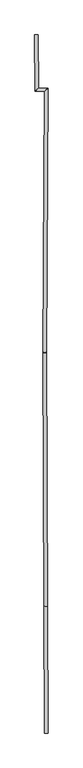
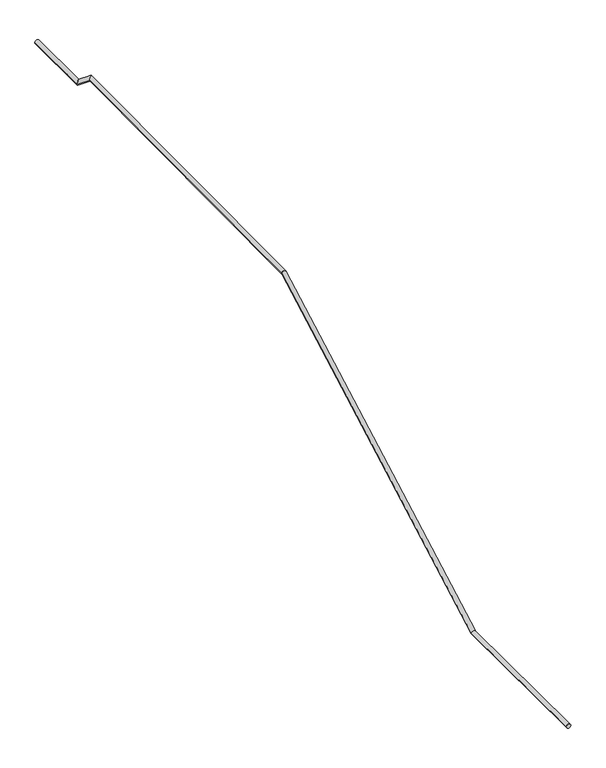
"""IFC4 building model written with IfcOpenShell, lengths in millimetres: railing geometry."""

from ifc_helpers import new_model, si_unit, frame, origin, place, context, project, spatial, circle_curve, ellipse_curve, source, transform, mapped, element, save
from ifc_brep_helpers import plane_surface, cylinder_surface, advanced_brep


def railing_7bb274fe(model_context):
    return source(origin(), model_context, "Body", "AdvancedBrep", [
        advanced_brep(
        [(-56331.4665767, -23508.6003463, -6120.0), (-56371.4662751, -23508.7556812, -6120.0), (-56337.2891122, -22009.260766, -6120.0), (-56377.2888106, -22009.4161008, -6120.0), (-56348.926175, -19012.6437851, -4440.1161724), (-56388.9265546, -19012.6237214, -4440.0178451)],
        [
            (0, 1, circle_curve(frame((-56351.4664259, -23508.6780137, -6120.0), z_axis=(0.0038833708517768614, -0.9999924596869857, 0.0), x_axis=(-0.9999924596869857, -0.0038833708517768614, 0.0)), 20.0)),
            (1, 0, circle_curve(frame((-56351.4664259, -23508.6780137, -6120.0), z_axis=(0.0038833708517768614, -0.9999924596869857, 0.0), x_axis=(-0.9999924596869857, -0.0038833708517768614, 0.0)), 20.0)),
            (0, 2),
            (2, 3, ellipse_curve(frame((-56357.2889614, -22009.3384334, -6120.0), z_axis=(0.0037573362176661538, -0.9675377473814336, -0.25269861459178733), x_axis=(0.0009813224341898756, -0.25269670916513415, 0.9675450429739132)), 20.6708723, 20.0)),
            (3, 1),
            (3, 2, ellipse_curve(frame((-56357.2889614, -22009.3384334, -6120.0), z_axis=(0.0037573362176661538, -0.9675377473814336, -0.25269861459178733), x_axis=(0.0009813224341898756, -0.25269670916513415, 0.9675450429739132)), 20.6708723, 20.0)),
            (4, 5, ellipse_curve(frame((-56368.9263648, -19012.6337532, -4440.0670087), z_axis=(0.0011064879753307608, 0.9675437293130676, 0.25270122190310423), x_axis=(0.01763881838023625, 0.25264317855393126, -0.9673987266976919)), 20.6710856, 20.0)),
            (5, 4, ellipse_curve(frame((-56368.9263648, -19012.6337532, -4440.0670087), z_axis=(0.0011064879753307608, 0.9675437293130676, 0.25270122190310423), x_axis=(0.01763881838023625, 0.25264317855393126, -0.9673987266976919)), 20.6710856, 20.0)),
            (2, 4),
            (5, 3),
        ],
        [
            plane_surface(frame((-56351.4664259, -23508.6780137, -6120.0), z_axis=(0.003883370851776861, -0.9999924596869857, 0.0), x_axis=(0.9999924596869857, 0.003883370851776861, 0.0))),
            cylinder_surface(frame((-56351.4664259, -23508.6780137, -6120.0), z_axis=(0.0038833708517768614, -0.9999924596869857, 0.0), x_axis=(-0.9999924596869857, -0.0038833708517768614, 0.0)), 20.0),
            plane_surface(frame((-56368.9263648, -19012.6337532, -4440.0670087), z_axis=(0.0011064879753307608, 0.9675437293130676, 0.25270122190310423), x_axis=(0.9999993878419929, -0.0010705761574533567, -0.00027961103455330876))),
            cylinder_surface(frame((-56357.2889614, -22009.3384334, -6120.0), z_axis=(0.003387413212601617, -0.872280243051119, -0.48899458382931843), x_axis=(-0.9999924596869857, -0.003883370851776995, 0.0)), 20.0),
        ],
        [
            (0, [[1, 2]]),
            (1, [[-1, 3, 4, 5]]),
            (1, [[-2, -5, 6, -3]]),
            (2, [[7, 8]]),
            (3, [[-4, 9, -8, 10]]),
            (3, [[-6, -10, -7, -9]]),
        ],
    ),
        advanced_brep(
        [(-56348.9261856, -19012.6566256, -4440.0), (-56388.926544, -19012.6108809, -4440.0), (-56331.6793124, -15893.099945, -4440.0), (-56371.9003824, -15932.9757703, -4440.0), (-56445.3642429, -15892.7484246, -4440.0), (-56485.1351544, -15932.6256418, -4440.0), (-56448.9758799, -15265.8906847, -4440.0), (-56488.975216, -15266.1211406, -4440.0)],
        [
            (0, 1, ellipse_curve(frame((-56368.9263648, -19012.6337532, -4440.0), z_axis=(-0.0011064879753307608, -0.9675437293130676, -0.25270122190310423), x_axis=(-0.017638818380236246, -0.2526431785539299, 0.9673987266976923)), 20.6710856, 20.0)),
            (1, 0, ellipse_curve(frame((-56368.9263648, -19012.6337532, -4440.0), z_axis=(-0.0011064879753307608, -0.9675437293130676, -0.25270122190310423), x_axis=(-0.017638818380236246, -0.2526431785539299, 0.9673987266976923)), 20.6710856, 20.0)),
            (0, 2),
            (2, 3, ellipse_curve(frame((-56351.7898474, -15913.0378576, -4440.0), z_axis=(0.7040523721520953, -0.7101480530614778, 0.0), x_axis=(-0.7101480530614778, -0.7040523721520953, 0.0)), 28.318792, 20.0)),
            (3, 1),
            (3, 2, ellipse_curve(frame((-56351.7898474, -15913.0378576, -4440.0), z_axis=(0.7040523721520953, -0.7101480530614778, 0.0), x_axis=(-0.7101480530614778, -0.7040523721520953, 0.0)), 28.318792, 20.0)),
            (2, 4),
            (4, 5, ellipse_curve(frame((-56465.2496986, -15912.6870332, -4440.0), z_axis=(0.7080499201513674, -0.7061623825818267, 0.0), x_axis=(0.7061623825818266, 0.7080499201513673, 0.0)), 28.1598911, 20.0)),
            (5, 3),
            (5, 4, ellipse_curve(frame((-56465.2496986, -15912.6870332, -4440.0), z_axis=(0.7080499201513674, -0.7061623825818267, 0.0), x_axis=(0.7061623825818266, 0.7080499201513673, 0.0)), 28.1598911, 20.0)),
            (6, 7, circle_curve(frame((-56468.9755479, -15266.0059127, -4440.0), z_axis=(-0.005761398260548715, 0.9999834030073116, 0.0), x_axis=(-0.9999834030073116, -0.005761398260548715, 0.0)), 20.0)),
            (7, 6, circle_curve(frame((-56468.9755479, -15266.0059127, -4440.0), z_axis=(-0.005761398260548715, 0.9999834030073116, 0.0), x_axis=(-0.9999834030073116, -0.005761398260548715, 0.0)), 20.0)),
            (4, 6),
            (7, 5),
        ],
        [
            plane_surface(frame((-56368.9263648, -19012.6337532, -4440.0), z_axis=(-0.0011064879753307608, -0.9675437293130676, -0.25270122190310423), x_axis=(0.9999993878419929, -0.0010705761574533567, -0.00027961103455330876))),
            cylinder_surface(frame((-56368.9263648, -19012.6337532, -4440.0), z_axis=(-0.005528545031966055, -0.999984717478137, 0.0), x_axis=(-0.999984717478137, 0.005528545031966055, 0.0)), 20.0),
            cylinder_surface(frame((-56351.7898474, -15913.0378576, -4440.0), z_axis=(0.9999952196230457, -0.0030920431847958063, 0.0), x_axis=(-0.0030920431847958063, -0.9999952196230457, 0.0)), 20.0),
            plane_surface(frame((-56468.9755479, -15266.0059127, -4440.0), z_axis=(-0.005761398260548569, 0.9999834030073116, 0.0), x_axis=(0.9999834030073116, 0.005761398260548569, 0.0))),
            cylinder_surface(frame((-56465.2496986, -15912.6870332, -4440.0), z_axis=(0.005761398260548715, -0.9999834030073116, 0.0), x_axis=(-0.9999834030073116, -0.005761398260548715, 0.0)), 20.0),
        ],
        [
            (0, [[1, 2]]),
            (1, [[-1, 3, 4, 5]]),
            (1, [[-2, -5, 6, -3]]),
            (2, [[-4, 7, 8, 9]]),
            (2, [[-6, -9, 10, -7]]),
            (3, [[11, 12]]),
            (4, [[-8, 13, -12, 14]]),
            (4, [[-10, -14, -11, -13]]),
        ],
    ),
    ])


if __name__ == "__main__":
    model = new_model("IFC4")
    model_context = context("Model", 3, world=origin())
    ifc_project = project(units=[si_unit("LENGTHUNIT", "METRE", prefix="MILLI")], contexts=[model_context])
    site = spatial("IfcSite", under=ifc_project)
    building = spatial("IfcBuilding", under=site)
    placement = place(None, origin())
    railing_shape = railing_7bb274fe(model_context)
    element("IfcRailing", 1, at=placement, inside=building, context=model_context, shape_type="MappedRepresentation", body=[
        mapped(railing_shape, transform((0.0, 0.0, 0.0), x_axis=(1.0, 0.0, 0.0), y_axis=(0.0, 1.0, 0.0), z_axis=(0.0, 0.0, 1.0))),
    ])
    save(model, "model.ifc")
